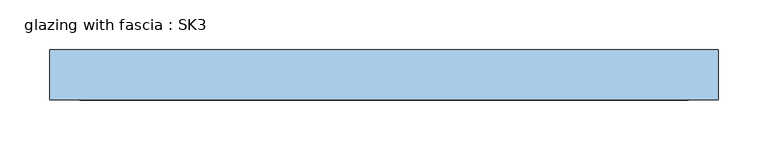
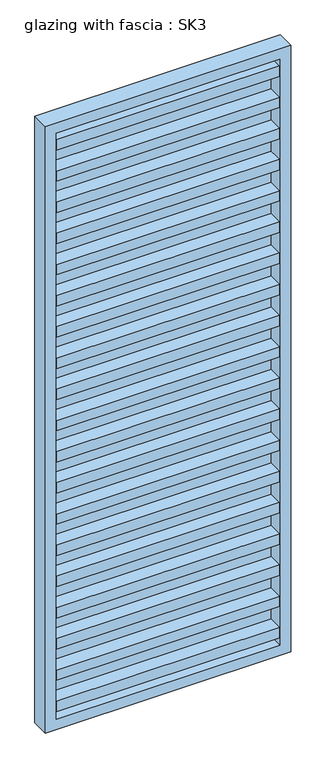
"""IFC4 building model written with IfcOpenShell, lengths in millimetres: window geometry, glazing with fascia : SK3."""

from ifc_helpers import new_model, si_unit, frame, origin, place, context, project, spatial, polyline, outline, extrude, source, transform, mapped, element, save


def glazing_with_fascia_sk3_ca506aa2(model_context):
    return source(origin(), model_context, "Body", "SweptSolid", [
        extrude(outline(polyline([(305.0, -0.1334055), (305.0, -8.1334055), (-305.0, -8.1334055), (-305.0, -0.1334055), (305.0, -0.1334055)])), frame((0.0, 0.0, 30.0), z_axis=(0.0, 0.0, 1.0), x_axis=(1.0, 0.0, 0.0)), (0.0, 0.0, 1.0), 1690.0),
        extrude(outline(polyline([(1750.0, -335.0), (0.0, -335.0), (0.0, 335.0), (1750.0, 335.0), (1750.0, -335.0)]), holes=[polyline([(1720.0, -305.0), (1720.0, 305.0), (30.0, 305.0), (30.0, -305.0), (1720.0, -305.0)])]), frame((0.0, -50.0, 0.0), z_axis=(0.0, 1.0, 0.0), x_axis=(0.0, 0.0, 1.0)), (0.0, 0.0, 1.0), 50.0),
        extrude(outline(polyline([(-305.0, -48.1334055), (-305.0, -8.1334055), (305.0, -8.1334055), (305.0, -48.1334055), (-305.0, -48.1334055)])), frame((0.0, 0.0, 1580.4), z_axis=(0.0, 0.0, 1.0), x_axis=(1.0, 0.0, 0.0)), (0.0, 0.0, 1.0), 30.0),
        extrude(outline(polyline([(-305.0, -48.1334055), (-305.0, -8.1334055), (305.0, -8.1334055), (305.0, -48.1334055), (-305.0, -48.1334055)])), frame((0.0, 0.0, 1490.4), z_axis=(0.0, 0.0, 1.0), x_axis=(1.0, 0.0, 0.0)), (0.0, 0.0, 1.0), 30.0),
        extrude(outline(polyline([(-305.0, -48.1334055), (-305.0, -8.1334055), (305.0, -8.1334055), (305.0, -48.1334055), (-305.0, -48.1334055)])), frame((0.0, 0.0, 1400.4), z_axis=(0.0, 0.0, 1.0), x_axis=(1.0, 0.0, 0.0)), (0.0, 0.0, 1.0), 30.0),
        extrude(outline(polyline([(-305.0, -48.1334055), (-305.0, -8.1334055), (305.0, -8.1334055), (305.0, -48.1334055), (-305.0, -48.1334055)])), frame((0.0, 0.0, 1310.4), z_axis=(0.0, 0.0, 1.0), x_axis=(1.0, 0.0, 0.0)), (0.0, 0.0, 1.0), 30.0),
        extrude(outline(polyline([(-305.0, -48.1334055), (-305.0, -8.1334055), (305.0, -8.1334055), (305.0, -48.1334055), (-305.0, -48.1334055)])), frame((0.0, 0.0, 1220.4), z_axis=(0.0, 0.0, 1.0), x_axis=(1.0, 0.0, 0.0)), (0.0, 0.0, 1.0), 30.0),
        extrude(outline(polyline([(-305.0, -48.1334055), (-305.0, -8.1334055), (305.0, -8.1334055), (305.0, -48.1334055), (-305.0, -48.1334055)])), frame((0.0, 0.0, 1130.4), z_axis=(0.0, 0.0, 1.0), x_axis=(1.0, 0.0, 0.0)), (0.0, 0.0, 1.0), 30.0),
        extrude(outline(polyline([(-305.0, -48.1334055), (-305.0, -8.1334055), (305.0, -8.1334055), (305.0, -48.1334055), (-305.0, -48.1334055)])), frame((0.0, 0.0, 1040.4), z_axis=(0.0, 0.0, 1.0), x_axis=(1.0, 0.0, 0.0)), (0.0, 0.0, 1.0), 30.0),
        extrude(outline(polyline([(-305.0, -48.1334055), (-305.0, -8.1334055), (305.0, -8.1334055), (305.0, -48.1334055), (-305.0, -48.1334055)])), frame((0.0, 0.0, 950.4), z_axis=(0.0, 0.0, 1.0), x_axis=(1.0, 0.0, 0.0)), (0.0, 0.0, 1.0), 30.0),
        extrude(outline(polyline([(-305.0, -48.1334055), (-305.0, -8.1334055), (305.0, -8.1334055), (305.0, -48.1334055), (-305.0, -48.1334055)])), frame((0.0, 0.0, 860.4), z_axis=(0.0, 0.0, 1.0), x_axis=(1.0, 0.0, 0.0)), (0.0, 0.0, 1.0), 30.0),
        extrude(outline(polyline([(-305.0, -48.1334055), (-305.0, -8.1334055), (305.0, -8.1334055), (305.0, -48.1334055), (-305.0, -48.1334055)])), frame((0.0, 0.0, 770.4), z_axis=(0.0, 0.0, 1.0), x_axis=(1.0, 0.0, 0.0)), (0.0, 0.0, 1.0), 30.0),
        extrude(outline(polyline([(-305.0, -48.1334055), (-305.0, -8.1334055), (305.0, -8.1334055), (305.0, -48.1334055), (-305.0, -48.1334055)])), frame((0.0, 0.0, 680.4), z_axis=(0.0, 0.0, 1.0), x_axis=(1.0, 0.0, 0.0)), (0.0, 0.0, 1.0), 30.0),
        extrude(outline(polyline([(-305.0, -48.1334055), (-305.0, -8.1334055), (305.0, -8.1334055), (305.0, -48.1334055), (-305.0, -48.1334055)])), frame((0.0, 0.0, 590.4), z_axis=(0.0, 0.0, 1.0), x_axis=(1.0, 0.0, 0.0)), (0.0, 0.0, 1.0), 30.0),
        extrude(outline(polyline([(-305.0, -48.1334055), (-305.0, -8.1334055), (305.0, -8.1334055), (305.0, -48.1334055), (-305.0, -48.1334055)])), frame((0.0, 0.0, 500.4), z_axis=(0.0, 0.0, 1.0), x_axis=(1.0, 0.0, 0.0)), (0.0, 0.0, 1.0), 30.0),
        extrude(outline(polyline([(-305.0, -48.1334055), (-305.0, -8.1334055), (305.0, -8.1334055), (305.0, -48.1334055), (-305.0, -48.1334055)])), frame((0.0, 0.0, 410.4), z_axis=(0.0, 0.0, 1.0), x_axis=(1.0, 0.0, 0.0)), (0.0, 0.0, 1.0), 30.0),
        extrude(outline(polyline([(-305.0, -48.1334055), (-305.0, -8.1334055), (305.0, -8.1334055), (305.0, -48.1334055), (-305.0, -48.1334055)])), frame((0.0, 0.0, 320.4), z_axis=(0.0, 0.0, 1.0), x_axis=(1.0, 0.0, 0.0)), (0.0, 0.0, 1.0), 30.0),
        extrude(outline(polyline([(-305.0, -48.1334055), (-305.0, -8.1334055), (305.0, -8.1334055), (305.0, -48.1334055), (-305.0, -48.1334055)])), frame((0.0, 0.0, 230.4), z_axis=(0.0, 0.0, 1.0), x_axis=(1.0, 0.0, 0.0)), (0.0, 0.0, 1.0), 30.0),
        extrude(outline(polyline([(-305.0, -48.1334055), (-305.0, -8.1334055), (305.0, -8.1334055), (305.0, -48.1334055), (-305.0, -48.1334055)])), frame((0.0, 0.0, 140.4), z_axis=(0.0, 0.0, 1.0), x_axis=(1.0, 0.0, 0.0)), (0.0, 0.0, 1.0), 30.0),
        extrude(outline(polyline([(-305.0, -48.1334055), (-305.0, -8.1334055), (305.0, -8.1334055), (305.0, -48.1334055), (-305.0, -48.1334055)])), frame((0.0, 0.0, 50.4), z_axis=(0.0, 0.0, 1.0), x_axis=(1.0, 0.0, 0.0)), (0.0, 0.0, 1.0), 30.0),
        extrude(outline(polyline([(-305.0, -48.1334055), (-305.0, -8.1334055), (305.0, -8.1334055), (305.0, -48.1334055), (-305.0, -48.1334055)])), frame((0.0, 0.0, 1670.0), z_axis=(0.0, 0.0, 1.0), x_axis=(1.0, 0.0, 0.0)), (0.0, 0.0, 1.0), 30.0),
    ])


if __name__ == "__main__":
    model = new_model("IFC4")
    model_context = context("Model", 3, world=origin())
    ifc_project = project(units=[si_unit("LENGTHUNIT", "METRE", prefix="MILLI")], contexts=[model_context])
    site = spatial("IfcSite", under=ifc_project)
    building = spatial("IfcBuilding", under=site)
    placement = place(None, origin())
    glazing_with_fascia_sk3_shape = glazing_with_fascia_sk3_ca506aa2(model_context)
    element("IfcWindow", 1, ObjectType="glazing with fascia : SK3", at=placement, inside=building, context=model_context, shape_type="MappedRepresentation", body=[
        mapped(glazing_with_fascia_sk3_shape, transform((0.0, 0.0, 0.0), x_axis=(1.0, 0.0, 0.0), y_axis=(0.0, 1.0, 0.0), z_axis=(0.0, 0.0, 1.0))),
    ])
    save(model, "model.ifc")
